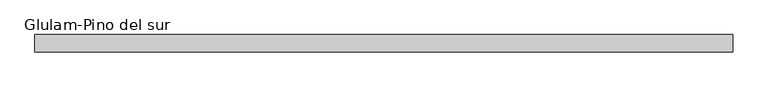
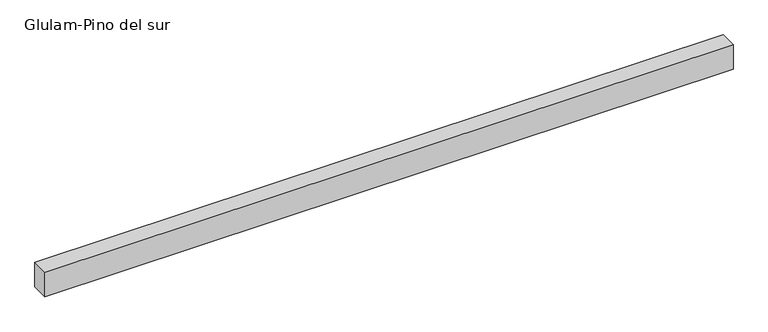
"""IFC4 building model written with IfcOpenShell, lengths in millimetres: beam geometry, Glulam-Pino del sur."""

from ifc_helpers import new_model, si_unit, frame, origin, place, context, project, spatial, polyline, outline, extrude, source, transform, mapped, element, save


def glulam_pino_del_sur_8327f442(model_context):
    return source(origin(), model_context, "Body", "SweptSolid", [
        extrude(outline(polyline([(2000.0, 50.0), (2000.0, -50.0), (-2000.0, -50.0), (-2000.0, 50.0), (2000.0, 50.0)])), frame((0.0, 0.0, -75.0), z_axis=(0.0, 0.0, 1.0), x_axis=(1.0, 0.0, 0.0)), (0.0, 0.0, 1.0), 150.0),
    ])


if __name__ == "__main__":
    model = new_model("IFC4")
    model_context = context("Model", 3, world=origin())
    ifc_project = project(units=[si_unit("LENGTHUNIT", "METRE", prefix="MILLI")], contexts=[model_context])
    site = spatial("IfcSite", under=ifc_project)
    building = spatial("IfcBuilding", under=site)
    placement = place(None, origin())
    glulam_pino_del_sur_shape = glulam_pino_del_sur_8327f442(model_context)
    element("IfcBeam", 1, ObjectType="Glulam-Pino del sur", at=placement, inside=building, context=model_context, shape_type="MappedRepresentation", body=[
        mapped(glulam_pino_del_sur_shape, transform((0.0, 0.0, 0.0), x_axis=(1.0, 0.0, 0.0), y_axis=(0.0, 1.0, 0.0), z_axis=(0.0, 0.0, 1.0))),
    ])
    save(model, "model.ifc")
